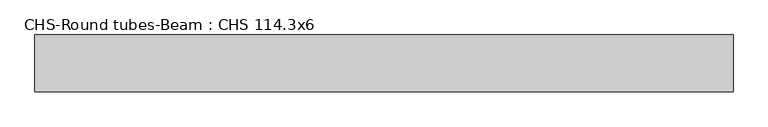
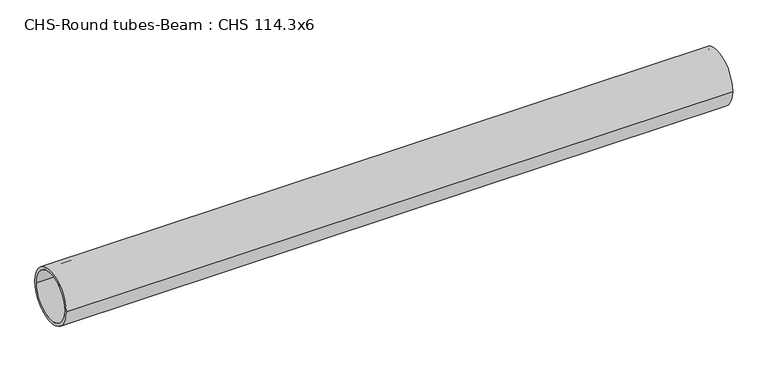
"""IFC4 building model written with IfcOpenShell, lengths in millimetres: beam geometry, CHS-Round tubes-Beam : CHS 114.3x6."""

from ifc_helpers import new_model, si_unit, point, frame, origin, origin_2d, place, context, project, spatial, circle_curve, trimmed, segment, composite_curve, outline, extrude, source, transform, mapped, element, save


def chs_round_tubes_beam_chs_114_3x6_703a102b(model_context):
    return source(origin(), model_context, "Body", "SweptSolid", [
        extrude(outline(composite_curve([segment(trimmed(circle_curve(origin_2d(), 57.15), [point((57.15, 0.0))], [point((-57.15, 0.0))], False, "CARTESIAN"), True, "CONTINUOUS"), segment(trimmed(circle_curve(origin_2d(), 57.15), [point((-57.15, 0.0))], [point((57.15, 0.0))], False, "CARTESIAN"), True, "CONTINUOUS")], self_intersect=False), holes=[composite_curve([segment(trimmed(circle_curve(origin_2d(), 51.15), [point((51.15, 0.0))], [point((-51.15, 0.0))], True, "CARTESIAN"), True, "CONTINUOUS"), segment(trimmed(circle_curve(origin_2d(), 51.15), [point((-51.15, 0.0))], [point((51.15, 0.0))], True, "CARTESIAN"), True, "CONTINUOUS")], self_intersect=False)]), frame((-774.034825, 0.0, 0.0), z_axis=(1.0, 0.0, 0.0), x_axis=(0.0, 1.0, 0.0)), (0.0, 0.0, 1.0), 1406.6712193),
    ])


if __name__ == "__main__":
    model = new_model("IFC4")
    model_context = context("Model", 3, world=origin())
    ifc_project = project(units=[si_unit("LENGTHUNIT", "METRE", prefix="MILLI")], contexts=[model_context])
    site = spatial("IfcSite", under=ifc_project)
    building = spatial("IfcBuilding", under=site)
    placement = place(None, origin())
    chs_round_tubes_beam_chs_114_3x6_shape = chs_round_tubes_beam_chs_114_3x6_703a102b(model_context)
    element("IfcBeam", 1, ObjectType="CHS-Round tubes-Beam : CHS 114.3x6", at=placement, inside=building, context=model_context, shape_type="MappedRepresentation", body=[
        mapped(chs_round_tubes_beam_chs_114_3x6_shape, transform((0.0, 0.0, 0.0), x_axis=(1.0, 0.0, 0.0), y_axis=(0.0, 1.0, 0.0), z_axis=(0.0, 0.0, 1.0))),
    ])
    save(model, "model.ifc")
